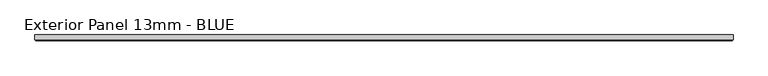
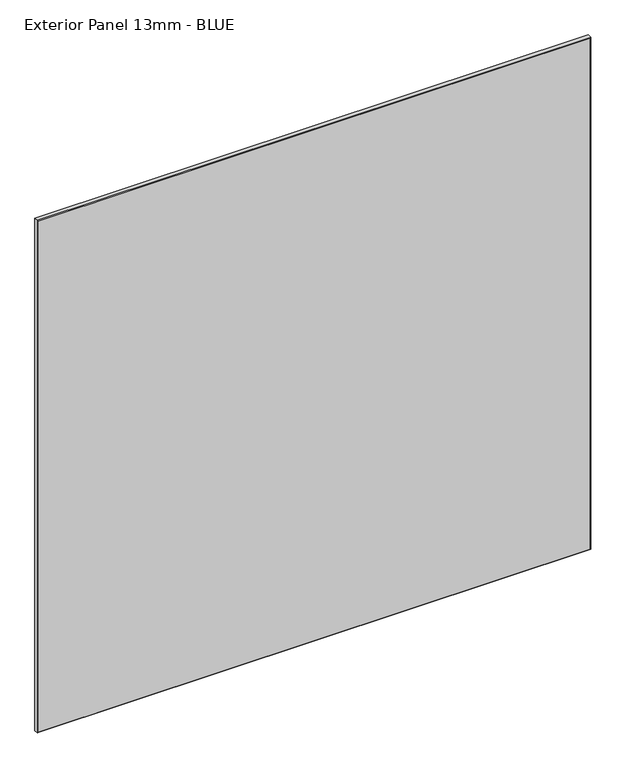
"""IFC4 building model written with IfcOpenShell, lengths in millimetres: proxy geometry, Exterior Panel 13mm - BLUE."""

import ifcopenshell
import ifcopenshell.guid

model = None  # the IFC model being written
_history = None  # IfcOwnerHistory: only IFC2X3 demands one
_inside = {}  # id of a spatial element -> (the spatial element, [elements in it])
_under = {}  # id of a project, library or spatial element -> (it, [spatial elements below it])
_declared = {}  # id of a project -> (the project, [libraries it declares])
_typed = {}  # id of a type object -> (the type object, [elements of that type])
_made_of = {}  # id of a material, layer set ... -> (it, [elements and type objects made of it])


def new_model(schema):
    """Start an empty IFC model of exactly this schema.

    Asked for "IFC4X3", IfcOpenShell would pick the latest addendum, in which some entities
    have other attributes; the version numbers below select the first issue.
    IFC2X3 requires an IfcOwnerHistory on every rooted entity: one is made here for all.
    """
    global model, _history
    if schema == "IFC4X3":
        model = ifcopenshell.file(schema_version=(4, 3, 0, 0))
    else:
        model = ifcopenshell.file(schema=schema)
    _inside.clear()
    _under.clear()
    _declared.clear()
    _typed.clear()
    _made_of.clear()
    _history = None
    if model.schema == "IFC2X3":
        org = make("IfcOrganization", Name="unknown")
        user = make(
            "IfcPersonAndOrganization",
            ThePerson=make("IfcPerson", FamilyName="unknown"),
            TheOrganization=org,
        )
        app = make(
            "IfcApplication",
            ApplicationDeveloper=org,
            Version="unknown",
            ApplicationFullName="unknown",
            ApplicationIdentifier="unknown",
        )
        _history = make(
            "IfcOwnerHistory",
            OwningUser=user,
            OwningApplication=app,
            ChangeAction="ADDED",
            CreationDate=0,
        )
    return model


def make(cls, **values):
    """One entity of the class cls with the attributes given. An attribute that is None is left unset."""
    return model.create_entity(
        cls, **{name: value for name, value in values.items() if value is not None}
    )


def rooted(cls, **values):
    """An entity with a GlobalId (a new one), such as an element, a storey or a relation."""
    return make(cls, GlobalId=ifcopenshell.guid.new(), OwnerHistory=_history, **values)


def si_unit(unit_type, name, prefix=None):
    """IfcSIUnit, for example si_unit("LENGTHUNIT", "METRE", prefix="MILLI")."""
    return make("IfcSIUnit", UnitType=unit_type, Prefix=prefix, Name=name)


def assignment(units):
    """IfcUnitAssignment: the units of a project."""
    return None if units is None else make("IfcUnitAssignment", Units=units)


def point(xyz):
    """IfcCartesianPoint."""
    return None if xyz is None else make("IfcCartesianPoint", Coordinates=xyz)


def direction(xyz):
    """IfcDirection."""
    return None if xyz is None else make("IfcDirection", DirectionRatios=xyz)


def frame(location, z_axis=None, x_axis=None):
    """IfcAxis2Placement3D, a coordinate frame: its origin and axes. An axis left out is left unset."""
    return make(
        "IfcAxis2Placement3D",
        Location=point(location),
        Axis=direction(z_axis),
        RefDirection=direction(x_axis),
    )


def origin():
    """The frame at (0, 0, 0) with its axes left unset."""
    return frame((0.0, 0.0, 0.0))


def place(relative_to, where):
    """IfcLocalPlacement: puts the frame where relative to a parent placement (None: the world)."""
    return make(
        "IfcLocalPlacement", PlacementRelTo=relative_to, RelativePlacement=where
    )


def context(
    kind, dimensions, precision=None, world=None, true_north=None, identifier=None
):
    """IfcGeometricRepresentationContext, for example the 3D "Model" context."""
    return make(
        "IfcGeometricRepresentationContext",
        ContextIdentifier=identifier,
        ContextType=kind,
        CoordinateSpaceDimension=dimensions,
        Precision=precision,
        WorldCoordinateSystem=world,
        TrueNorth=true_north,
    )


def project(units=None, contexts=None):
    """IfcProject with its units and contexts."""
    return rooted(
        "IfcProject",
        Name="project",
        RepresentationContexts=contexts,
        UnitsInContext=assignment(units),
    )


def spatial(cls, under=None, at=None, **own):
    """A site, building, storey or space (cls), placed at a placement, below another one or the project."""
    s = rooted(cls, ObjectPlacement=at, **own)
    if under is not None:
        _under.setdefault(under.id(), (under, []))[1].append(s)
    return s


def faces_of(points, faces, orient=None, outer=None):
    """IfcFace entities. A face is a list of loops; a loop is a list of indices into points, from 0.

    orient and outer hold one flag for each loop. By default every Orientation is true, the
    first loop of a face is its IfcFaceOuterBound and the others are IfcFaceBound.
    """
    made = []
    for i, loops in enumerate(faces):
        bounds = []
        for j, loop in enumerate(loops):
            is_outer = j == 0 if outer is None else outer[i][j]
            bounds.append(
                make(
                    "IfcFaceOuterBound" if is_outer else "IfcFaceBound",
                    Bound=make("IfcPolyLoop", Polygon=[points[k] for k in loop]),
                    Orientation=True if orient is None else orient[i][j],
                )
            )
        made.append(make("IfcFace", Bounds=bounds))
    return made


def faceted_brep(points, faces, orient=None, outer=None, voids=None):
    """IfcFacetedBrep: a solid bounded by flat faces; with voids (closed shells), ...WithVoids."""
    shared = [point(p) for p in points]
    hull = make("IfcClosedShell", CfsFaces=faces_of(shared, faces, orient, outer))
    if voids is None:
        return make("IfcFacetedBrep", Outer=hull)
    return make(
        "IfcFacetedBrepWithVoids",
        Outer=hull,
        Voids=[
            make(cls, CfsFaces=faces_of(shared, fs, o, b)) for cls, fs, o, b in voids
        ],
    )


def shape(context_of_items, identifier, shape_type, items):
    """IfcShapeRepresentation: the items that make up one representation, for example the "Body"."""
    return make(
        "IfcShapeRepresentation",
        ContextOfItems=context_of_items,
        RepresentationIdentifier=identifier,
        RepresentationType=shape_type,
        Items=items,
    )


def source(mapping_origin, context_of_items, identifier, shape_type, items):
    """IfcRepresentationMap: a shape defined once, which mapped items show again and again."""
    return make(
        "IfcRepresentationMap",
        MappingOrigin=mapping_origin,
        MappedRepresentation=shape(context_of_items, identifier, shape_type, items),
    )


def transform(
    local_origin,
    x_axis=None,
    y_axis=None,
    z_axis=None,
    scale=None,
    scale2=None,
    scale3=None,
    uniform=True,
):
    """IfcCartesianTransformationOperator3D, or its non-uniform kind. x_axis, y_axis, z_axis: its Axis1, 2, 3."""
    if uniform:
        return make(
            "IfcCartesianTransformationOperator3D",
            Axis1=direction(x_axis),
            Axis2=direction(y_axis),
            LocalOrigin=point(local_origin),
            Scale=scale,
            Axis3=direction(z_axis),
        )
    return make(
        "IfcCartesianTransformationOperator3DnonUniform",
        Axis1=direction(x_axis),
        Axis2=direction(y_axis),
        LocalOrigin=point(local_origin),
        Scale=scale,
        Axis3=direction(z_axis),
        Scale2=scale2,
        Scale3=scale3,
    )


def mapped(mapping_source, mapping_target):
    """IfcMappedItem: shows the shape of a source again, moved by a transform."""
    return make(
        "IfcMappedItem", MappingSource=mapping_source, MappingTarget=mapping_target
    )


def made_of(thing, what):
    """Note that an element or type object is made of a material, layer set ...; save() writes the relation."""
    if what is not None:
        _made_of.setdefault(what.id(), (what, []))[1].append(thing)
    return thing


def element(
    cls,
    number,
    at=None,
    inside=None,
    cuts=None,
    type_object=None,
    material=None,
    context=None,
    identifier="Body",
    shape_type=None,
    held_by="IfcProductDefinitionShape",
    body=None,
    shapes=None,
    **own,
):
    """One element of the class cls, such as IfcWall. Its Tag is "e" and its number.

    at: its placement. inside: the storey or other place that contains it. cuts: it is an
    opening in that element (IfcRelVoidsElement). A single representation is given by context,
    identifier, shape_type and body (its items); several are given by shapes. held_by: the class
    of the entity that holds the representations. save() writes the other relations.
    """
    e = rooted(cls, Tag="e%d" % number, ObjectPlacement=at, **own)
    if body is not None:
        shapes = [shape(context, identifier, shape_type, body)]
    if shapes is not None:
        e.Representation = make(held_by, Representations=shapes)
    if inside is not None:
        _inside.setdefault(inside.id(), (inside, []))[1].append(e)
    if cuts is not None:
        rooted(
            "IfcRelVoidsElement", RelatingBuildingElement=cuts, RelatedOpeningElement=e
        )
    if type_object is not None:
        _typed.setdefault(type_object.id(), (type_object, []))[1].append(e)
    return made_of(e, material)


def aggregate(whole, parts):
    """IfcRelAggregates: a whole, such as a stair, and the parts it consists of."""
    return rooted("IfcRelAggregates", RelatingObject=whole, RelatedObjects=parts)


def save(model, path):
    """Write the relations noted so far, then the file.

    IfcRelAggregates (storeys below a building ...), IfcRelContainedInSpatialStructure (elements
    in a storey), IfcRelDefinesByType, IfcRelAssociatesMaterial and IfcRelDeclares: one each for
    every whole, place, type object, material and project.
    """
    for whole, parts in _under.values():
        aggregate(whole, parts)
    for where, things in _inside.values():
        rooted(
            "IfcRelContainedInSpatialStructure",
            RelatedElements=things,
            RelatingStructure=where,
        )
    for kind, things in _typed.values():
        rooted("IfcRelDefinesByType", RelatedObjects=things, RelatingType=kind)
    for what, things in _made_of.values():
        rooted("IfcRelAssociatesMaterial", RelatedObjects=things, RelatingMaterial=what)
    for by, libraries in _declared.values():
        rooted("IfcRelDeclares", RelatingContext=by, RelatedDefinitions=libraries)
    model.write(path)


def exterior_panel_13mm_blue_e7c37003(model_context):
    return source(origin(), model_context, "Body", "Brep", [
        faceted_brep([(1150.9375, 6.35, 1524.0), (-406.4, 6.35, 1524.0), (-406.4, -4.7625, 1524.0), (1150.9375, -4.7625, 1524.0), (1150.9375, 6.35, 0.0), (1150.9375, -4.7625, 0.0), (-406.4, -4.7625, 0.0), (-406.4, 6.35, 0.0), (-404.8125, -6.35, 1522.4125), (-404.8125, -6.35, 1.5875), (1149.35, -6.35, 1.5875), (1149.35, -6.35, 1522.4125)], [[[0, 1, 2, 3]], [[4, 5, 6, 7]], [[1, 0, 4, 7]], [[2, 1, 7, 6]], [[8, 9, 10, 11]], [[0, 3, 5, 4]], [[2, 6, 9, 8]], [[5, 3, 11, 10]], [[3, 2, 8, 11]], [[6, 5, 10, 9]]]),
    ])


if __name__ == "__main__":
    model = new_model("IFC4")
    model_context = context("Model", 3, world=origin())
    ifc_project = project(units=[si_unit("LENGTHUNIT", "METRE", prefix="MILLI")], contexts=[model_context])
    site = spatial("IfcSite", under=ifc_project)
    building = spatial("IfcBuilding", under=site)
    placement = place(None, origin())
    exterior_panel_13mm_blue_shape = exterior_panel_13mm_blue_e7c37003(model_context)
    element("IfcBuildingElementProxy", 1, Name="Exterior Panel 13mm - BLUE", ObjectType="Exterior Panel 13mm - BLUE", at=placement, inside=building, context=model_context, shape_type="MappedRepresentation", body=[
        mapped(exterior_panel_13mm_blue_shape, transform((0.0, 0.0, 0.0), x_axis=(1.0, 0.0, 0.0), y_axis=(0.0, 1.0, 0.0), z_axis=(0.0, 0.0, 1.0))),
    ])
    save(model, "model.ifc")
